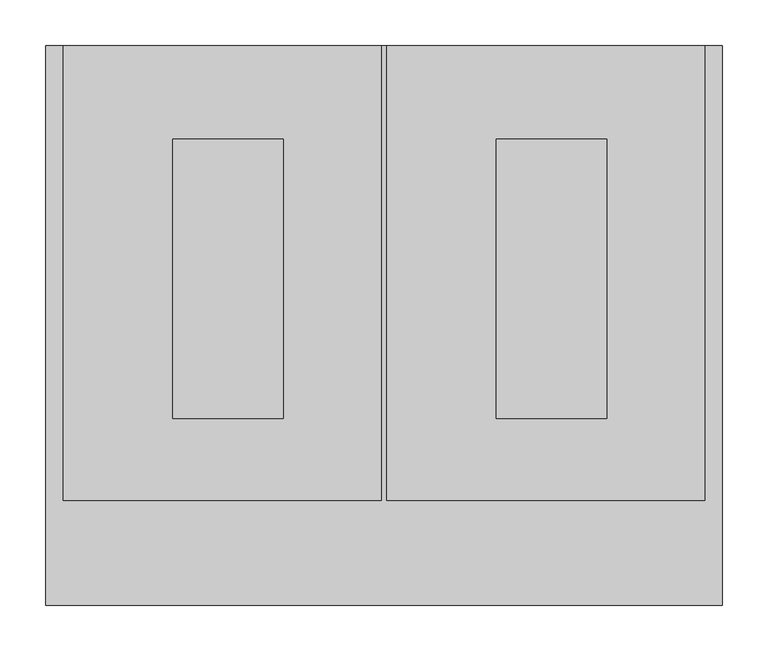
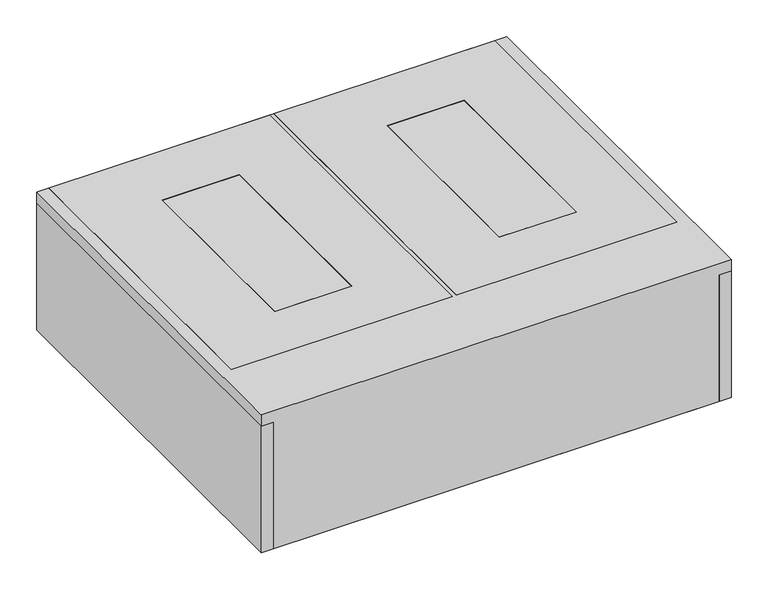
"""IFC4 building model written with IfcOpenShell, lengths in millimetres: proxy geometry."""

from ifc_helpers import new_model, si_unit, frame, origin, origin_with_axes, place, context, project, spatial, polyline, outline, extrude, faceted_brep, source, transform, mapped, element, save


def specialty_equipment_e4f9dec0(model_context):
    return source(origin(), model_context, "Body", "SolidModel", [
        faceted_brep([(349.25, 101.6, 209.55), (349.25, 609.6, 209.55), (349.25, 609.6, 228.6), (349.25, 114.3, 228.6), (349.25, 114.3, 219.075), (349.25, 101.6, 219.075), (3.175, 101.6, 209.55), (3.175, 101.6, 219.075), (3.175, 114.3, 219.075), (3.175, 114.3, 228.6), (3.175, 609.6, 228.6), (3.175, 609.6, 209.55), (122.2375, 508.0, 209.55), (122.2375, 203.2, 209.55), (242.8875, 203.2, 209.55), (242.8875, 508.0, 209.55), (122.2375, 203.2, 228.6), (122.2375, 508.0, 228.6), (242.8875, 508.0, 228.6), (242.8875, 203.2, 228.6)], [[[0, 1, 2, 3, 4, 5]], [[6, 7, 8, 9, 10, 11]], [[1, 0, 6, 11], [12, 13, 14, 15]], [[2, 1, 11, 10]], [[3, 2, 10, 9], [16, 17, 18, 19]], [[4, 3, 9, 8]], [[5, 4, 8, 7]], [[0, 5, 7, 6]], [[16, 13, 12, 17]], [[13, 16, 19, 14]], [[14, 19, 18, 15]], [[17, 12, 15, 18]]]),
        faceted_brep([(-3.175, 101.6, 209.55), (-3.175, 609.6, 209.55), (-3.175, 609.6, 228.6), (-3.175, 114.3, 228.6), (-3.175, 114.3, 219.075), (-3.175, 101.6, 219.075), (-349.25, 101.6, 209.55), (-349.25, 101.6, 219.075), (-349.25, 114.3, 219.075), (-349.25, 114.3, 228.6), (-349.25, 609.6, 228.6), (-349.25, 609.6, 209.55), (-109.5375, 508.0, 209.55), (-230.1875, 508.0, 209.55), (-230.1875, 203.2, 209.55), (-109.5375, 203.2, 209.55), (-230.1875, 508.0, 228.6), (-109.5375, 508.0, 228.6), (-109.5375, 203.2, 228.6), (-230.1875, 203.2, 228.6)], [[[0, 1, 2, 3, 4, 5]], [[6, 7, 8, 9, 10, 11]], [[1, 0, 6, 11], [12, 13, 14, 15]], [[2, 1, 11, 10]], [[3, 2, 10, 9], [16, 17, 18, 19]], [[4, 3, 9, 8]], [[5, 4, 8, 7]], [[0, 5, 7, 6]], [[16, 13, 12, 17]], [[13, 16, 19, 14]], [[14, 19, 18, 15]], [[17, 12, 15, 18]]]),
        extrude(outline(polyline([(-109.5375, 508.0), (-109.5375, 203.2), (-230.1875, 203.2), (-230.1875, 508.0), (-109.5375, 508.0)])), frame((0.0, 0.0, 219.075), z_axis=(0.0, 0.0, 1.0), x_axis=(1.0, 0.0, 0.0)), (0.0, 0.0, 1.0), 9.525),
        extrude(outline(polyline([(242.8875, 508.0), (242.8875, 203.2), (122.2375, 203.2), (122.2375, 508.0), (242.8875, 508.0)])), frame((0.0, 0.0, 219.075), z_axis=(0.0, 0.0, 1.0), x_axis=(1.0, 0.0, 0.0)), (0.0, 0.0, 1.0), 9.525),
        extrude(outline(polyline([(368.3, 0.0), (349.25, 0.0), (349.25, 609.6), (368.3, 609.6), (368.3, 0.0)])), origin_with_axes(), (0.0, 0.0, 1.0), 209.55),
        extrude(outline(polyline([(-349.25, 0.0), (-368.3, 0.0), (-368.3, 609.6), (-349.25, 609.6), (-349.25, 0.0)])), origin_with_axes(), (0.0, 0.0, 1.0), 209.55),
        extrude(outline(polyline([(368.3, 609.6), (368.3, 0.0), (-368.3, 0.0), (-368.3, 609.6), (368.3, 609.6)])), origin_with_axes(), (0.0, 0.0, 1.0), 228.6),
        extrude(outline(polyline([(349.25, 427.0375), (-349.25, 427.0375), (-349.25, 439.7375), (349.25, 439.7375), (349.25, 427.0375)])), frame((0.0, 0.0, 19.05), z_axis=(0.0, 0.0, 1.0), x_axis=(1.0, 0.0, 0.0)), (0.0, 0.0, 1.0), 190.5),
        extrude(outline(polyline([(349.25, 265.1125), (-349.25, 265.1125), (-349.25, 277.8125), (349.25, 277.8125), (349.25, 265.1125)])), frame((0.0, 0.0, 19.05), z_axis=(0.0, 0.0, 1.0), x_axis=(1.0, 0.0, 0.0)), (0.0, 0.0, 1.0), 190.5),
        extrude(outline(polyline([(-349.25, 609.6), (349.25, 609.6), (349.25, 590.55), (-349.25, 590.55), (-349.25, 609.6)])), origin_with_axes(), (0.0, 0.0, 1.0), 209.55),
        extrude(outline(polyline([(349.25, 609.6), (349.25, 101.6), (-349.25, 101.6), (-349.25, 609.6), (349.25, 609.6)])), origin_with_axes(), (0.0, 0.0, 1.0), 19.05),
        extrude(outline(polyline([(-349.25, 101.6), (349.25, 101.6), (349.25, 0.0), (-349.25, 0.0), (-349.25, 101.6)])), origin_with_axes(), (0.0, 0.0, 1.0), 209.55),
    ])


if __name__ == "__main__":
    model = new_model("IFC4")
    model_context = context("Model", 3, world=origin())
    ifc_project = project(units=[si_unit("LENGTHUNIT", "METRE", prefix="MILLI")], contexts=[model_context])
    site = spatial("IfcSite", under=ifc_project)
    building = spatial("IfcBuilding", under=site)
    placement = place(None, origin())
    specialty_equipment_shape = specialty_equipment_e4f9dec0(model_context)
    element("IfcBuildingElementProxy", 1, Name="Specialty Equipment", at=placement, inside=building, context=model_context, shape_type="MappedRepresentation", body=[
        mapped(specialty_equipment_shape, transform((0.0, 0.0, 0.0), x_axis=(1.0, 0.0, 0.0), y_axis=(0.0, 1.0, 0.0), z_axis=(0.0, 0.0, 1.0))),
    ])
    save(model, "model.ifc")
